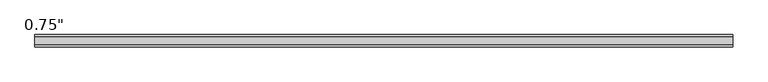
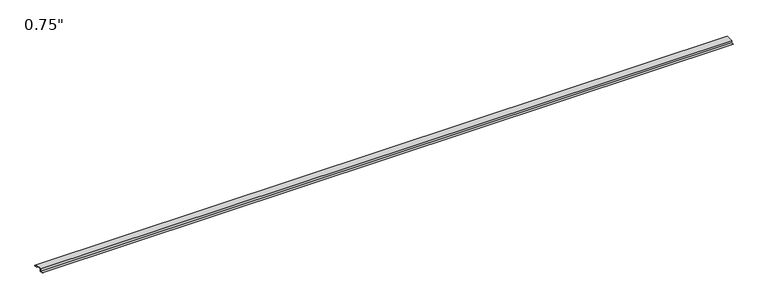
"""IFC4 building model written with IfcOpenShell, lengths in millimetres: proxy geometry."""

import ifcopenshell
import ifcopenshell.guid

model = None  # the IFC model being written
_history = None  # IfcOwnerHistory: only IFC2X3 demands one
_inside = {}  # id of a spatial element -> (the spatial element, [elements in it])
_under = {}  # id of a project, library or spatial element -> (it, [spatial elements below it])
_declared = {}  # id of a project -> (the project, [libraries it declares])
_typed = {}  # id of a type object -> (the type object, [elements of that type])
_made_of = {}  # id of a material, layer set ... -> (it, [elements and type objects made of it])


def new_model(schema):
    """Start an empty IFC model of exactly this schema.

    Asked for "IFC4X3", IfcOpenShell would pick the latest addendum, in which some entities
    have other attributes; the version numbers below select the first issue.
    IFC2X3 requires an IfcOwnerHistory on every rooted entity: one is made here for all.
    """
    global model, _history
    if schema == "IFC4X3":
        model = ifcopenshell.file(schema_version=(4, 3, 0, 0))
    else:
        model = ifcopenshell.file(schema=schema)
    _inside.clear()
    _under.clear()
    _declared.clear()
    _typed.clear()
    _made_of.clear()
    _history = None
    if model.schema == "IFC2X3":
        org = make("IfcOrganization", Name="unknown")
        user = make(
            "IfcPersonAndOrganization",
            ThePerson=make("IfcPerson", FamilyName="unknown"),
            TheOrganization=org,
        )
        app = make(
            "IfcApplication",
            ApplicationDeveloper=org,
            Version="unknown",
            ApplicationFullName="unknown",
            ApplicationIdentifier="unknown",
        )
        _history = make(
            "IfcOwnerHistory",
            OwningUser=user,
            OwningApplication=app,
            ChangeAction="ADDED",
            CreationDate=0,
        )
    return model


def make(cls, **values):
    """One entity of the class cls with the attributes given. An attribute that is None is left unset."""
    return model.create_entity(
        cls, **{name: value for name, value in values.items() if value is not None}
    )


def rooted(cls, **values):
    """An entity with a GlobalId (a new one), such as an element, a storey or a relation."""
    return make(cls, GlobalId=ifcopenshell.guid.new(), OwnerHistory=_history, **values)


def si_unit(unit_type, name, prefix=None):
    """IfcSIUnit, for example si_unit("LENGTHUNIT", "METRE", prefix="MILLI")."""
    return make("IfcSIUnit", UnitType=unit_type, Prefix=prefix, Name=name)


def assignment(units):
    """IfcUnitAssignment: the units of a project."""
    return None if units is None else make("IfcUnitAssignment", Units=units)


def point(xyz):
    """IfcCartesianPoint."""
    return None if xyz is None else make("IfcCartesianPoint", Coordinates=xyz)


def direction(xyz):
    """IfcDirection."""
    return None if xyz is None else make("IfcDirection", DirectionRatios=xyz)


def frame(location, z_axis=None, x_axis=None):
    """IfcAxis2Placement3D, a coordinate frame: its origin and axes. An axis left out is left unset."""
    return make(
        "IfcAxis2Placement3D",
        Location=point(location),
        Axis=direction(z_axis),
        RefDirection=direction(x_axis),
    )


def origin():
    """The frame at (0, 0, 0) with its axes left unset."""
    return frame((0.0, 0.0, 0.0))


def place(relative_to, where):
    """IfcLocalPlacement: puts the frame where relative to a parent placement (None: the world)."""
    return make(
        "IfcLocalPlacement", PlacementRelTo=relative_to, RelativePlacement=where
    )


def context(
    kind, dimensions, precision=None, world=None, true_north=None, identifier=None
):
    """IfcGeometricRepresentationContext, for example the 3D "Model" context."""
    return make(
        "IfcGeometricRepresentationContext",
        ContextIdentifier=identifier,
        ContextType=kind,
        CoordinateSpaceDimension=dimensions,
        Precision=precision,
        WorldCoordinateSystem=world,
        TrueNorth=true_north,
    )


def project(units=None, contexts=None):
    """IfcProject with its units and contexts."""
    return rooted(
        "IfcProject",
        Name="project",
        RepresentationContexts=contexts,
        UnitsInContext=assignment(units),
    )


def spatial(cls, under=None, at=None, **own):
    """A site, building, storey or space (cls), placed at a placement, below another one or the project."""
    s = rooted(cls, ObjectPlacement=at, **own)
    if under is not None:
        _under.setdefault(under.id(), (under, []))[1].append(s)
    return s


def polyline(points):
    """IfcPolyline through the points."""
    return make("IfcPolyline", Points=[point(p) for p in points])


def outline(outer, holes=None, kind="AREA"):
    """IfcArbitraryClosedProfileDef: a profile drawn as a closed curve; with holes, ...WithVoids."""
    if holes is None:
        return make("IfcArbitraryClosedProfileDef", ProfileType=kind, OuterCurve=outer)
    return make(
        "IfcArbitraryProfileDefWithVoids",
        ProfileType=kind,
        OuterCurve=outer,
        InnerCurves=holes,
    )


def extrude(swept, where, along, depth):
    """IfcExtrudedAreaSolid: the profile swept, set in the frame where, extruded along a direction by depth."""
    return make(
        "IfcExtrudedAreaSolid",
        SweptArea=swept,
        Position=where,
        ExtrudedDirection=direction(along),
        Depth=depth,
    )


def shape(context_of_items, identifier, shape_type, items):
    """IfcShapeRepresentation: the items that make up one representation, for example the "Body"."""
    return make(
        "IfcShapeRepresentation",
        ContextOfItems=context_of_items,
        RepresentationIdentifier=identifier,
        RepresentationType=shape_type,
        Items=items,
    )


def source(mapping_origin, context_of_items, identifier, shape_type, items):
    """IfcRepresentationMap: a shape defined once, which mapped items show again and again."""
    return make(
        "IfcRepresentationMap",
        MappingOrigin=mapping_origin,
        MappedRepresentation=shape(context_of_items, identifier, shape_type, items),
    )


def transform(
    local_origin,
    x_axis=None,
    y_axis=None,
    z_axis=None,
    scale=None,
    scale2=None,
    scale3=None,
    uniform=True,
):
    """IfcCartesianTransformationOperator3D, or its non-uniform kind. x_axis, y_axis, z_axis: its Axis1, 2, 3."""
    if uniform:
        return make(
            "IfcCartesianTransformationOperator3D",
            Axis1=direction(x_axis),
            Axis2=direction(y_axis),
            LocalOrigin=point(local_origin),
            Scale=scale,
            Axis3=direction(z_axis),
        )
    return make(
        "IfcCartesianTransformationOperator3DnonUniform",
        Axis1=direction(x_axis),
        Axis2=direction(y_axis),
        LocalOrigin=point(local_origin),
        Scale=scale,
        Axis3=direction(z_axis),
        Scale2=scale2,
        Scale3=scale3,
    )


def mapped(mapping_source, mapping_target):
    """IfcMappedItem: shows the shape of a source again, moved by a transform."""
    return make(
        "IfcMappedItem", MappingSource=mapping_source, MappingTarget=mapping_target
    )


def made_of(thing, what):
    """Note that an element or type object is made of a material, layer set ...; save() writes the relation."""
    if what is not None:
        _made_of.setdefault(what.id(), (what, []))[1].append(thing)
    return thing


def element(
    cls,
    number,
    at=None,
    inside=None,
    cuts=None,
    type_object=None,
    material=None,
    context=None,
    identifier="Body",
    shape_type=None,
    held_by="IfcProductDefinitionShape",
    body=None,
    shapes=None,
    **own,
):
    """One element of the class cls, such as IfcWall. Its Tag is "e" and its number.

    at: its placement. inside: the storey or other place that contains it. cuts: it is an
    opening in that element (IfcRelVoidsElement). A single representation is given by context,
    identifier, shape_type and body (its items); several are given by shapes. held_by: the class
    of the entity that holds the representations. save() writes the other relations.
    """
    e = rooted(cls, Tag="e%d" % number, ObjectPlacement=at, **own)
    if body is not None:
        shapes = [shape(context, identifier, shape_type, body)]
    if shapes is not None:
        e.Representation = make(held_by, Representations=shapes)
    if inside is not None:
        _inside.setdefault(inside.id(), (inside, []))[1].append(e)
    if cuts is not None:
        rooted(
            "IfcRelVoidsElement", RelatingBuildingElement=cuts, RelatedOpeningElement=e
        )
    if type_object is not None:
        _typed.setdefault(type_object.id(), (type_object, []))[1].append(e)
    return made_of(e, material)


def aggregate(whole, parts):
    """IfcRelAggregates: a whole, such as a stair, and the parts it consists of."""
    return rooted("IfcRelAggregates", RelatingObject=whole, RelatedObjects=parts)


def save(model, path):
    """Write the relations noted so far, then the file.

    IfcRelAggregates (storeys below a building ...), IfcRelContainedInSpatialStructure (elements
    in a storey), IfcRelDefinesByType, IfcRelAssociatesMaterial and IfcRelDeclares: one each for
    every whole, place, type object, material and project.
    """
    for whole, parts in _under.values():
        aggregate(whole, parts)
    for where, things in _inside.values():
        rooted(
            "IfcRelContainedInSpatialStructure",
            RelatedElements=things,
            RelatingStructure=where,
        )
    for kind, things in _typed.values():
        rooted("IfcRelDefinesByType", RelatedObjects=things, RelatingType=kind)
    for what, things in _made_of.values():
        rooted("IfcRelAssociatesMaterial", RelatedObjects=things, RelatingMaterial=what)
    for by, libraries in _declared.values():
        rooted("IfcRelDeclares", RelatingContext=by, RelatedDefinitions=libraries)
    model.write(path)


def proxy_2fade4be(model_context):
    return source(origin(), model_context, "Body", "SweptSolid", [
        extrude(outline(polyline([(-46.0559645, -17.4625), (-46.0559645, -15.8492), (-27.0129, -15.8492), (-27.0129, 1.6129), (27.0129, 1.6129), (27.0129, -15.8492), (46.0559645, -15.8492), (46.0559645, -17.4625), (25.4, -17.4625), (25.4, 0.0), (-25.4, 0.0), (-25.4, -17.4625), (-46.0559645, -17.4625)])), frame((0.0, 0.0, 0.0), z_axis=(1.0, 0.0, 0.0), x_axis=(0.0, 1.0, 0.0)), (0.0, 0.0, 1.0), 5174.924778),
    ])


if __name__ == "__main__":
    model = new_model("IFC4")
    model_context = context("Model", 3, world=origin())
    ifc_project = project(units=[si_unit("LENGTHUNIT", "METRE", prefix="MILLI")], contexts=[model_context])
    site = spatial("IfcSite", under=ifc_project)
    building = spatial("IfcBuilding", under=site)
    placement = place(None, origin())
    proxy_shape = proxy_2fade4be(model_context)
    element("IfcBuildingElementProxy", 1, Name="0.75\"", ObjectType="0.75\"", at=placement, inside=building, context=model_context, shape_type="MappedRepresentation", body=[
        mapped(proxy_shape, transform((0.0, 0.0, 0.0), x_axis=(1.0, 0.0, 0.0), y_axis=(0.0, 1.0, 0.0), z_axis=(0.0, 0.0, 1.0))),
    ])
    save(model, "model.ifc")
